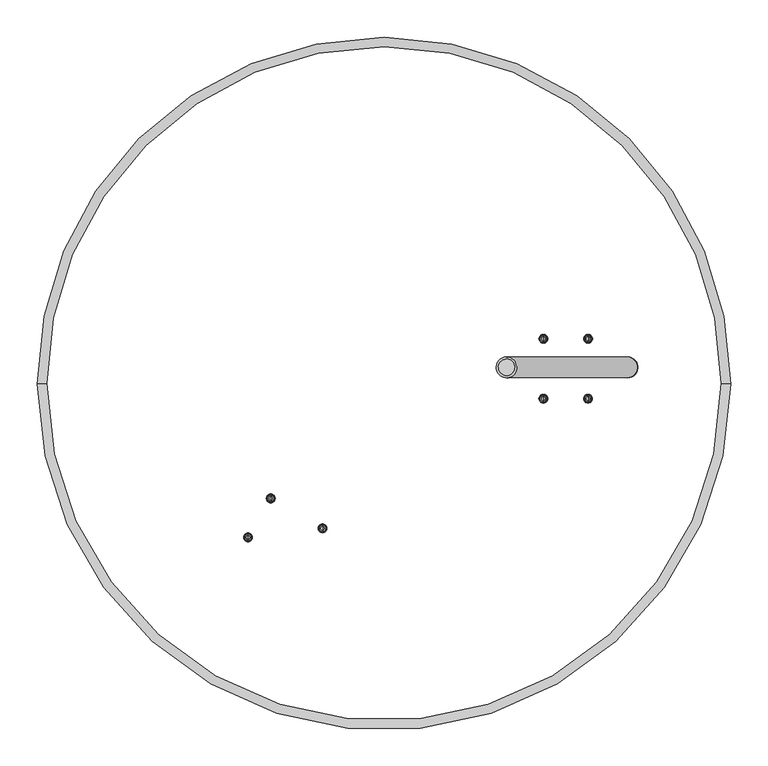
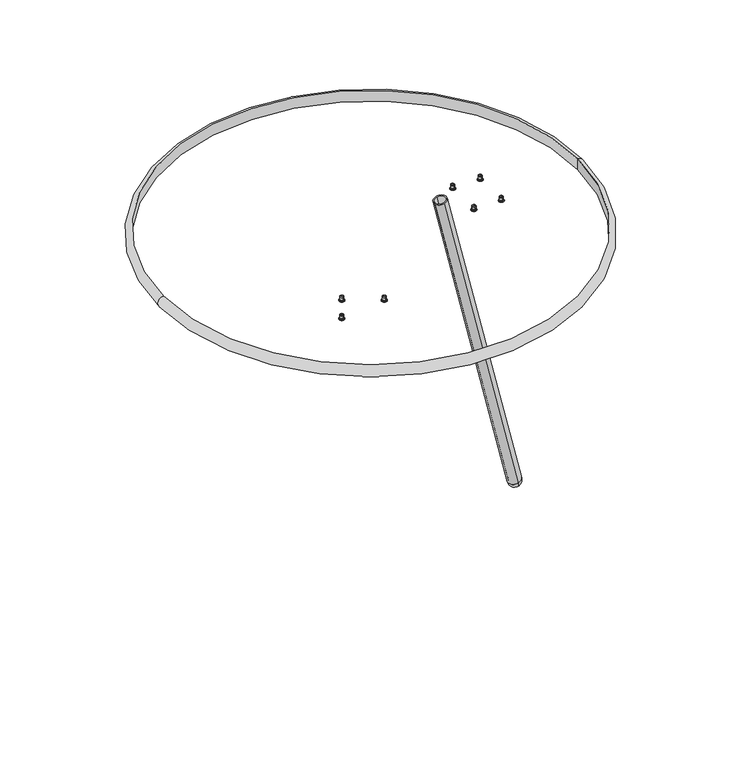
"""IFC4 building model written with IfcOpenShell, lengths in millimetres: furniture geometry."""

from ifc_helpers import new_model, si_unit, point, frame, frame_2d, origin, place, context, project, spatial, polyline, circle_curve, ellipse_curve, trimmed, segment, composite_curve, outline, extrude, source, transform, mapped, element, save
from ifc_brep_helpers import plane_surface, cylinder_surface, revolved_surface, advanced_brep


def furniture_e6d52d7c(model_context):
    return source(origin(), model_context, "Body", "SolidModel", [
        advanced_brep(
        [(272.3953563, 92.4203577, 708.5063289), (272.3953563, 98.4066498, 708.5063289), (272.3953563, 99.4076184, 707.5053604), (272.3953563, 91.4193892, 707.5053604), (272.3953563, 95.4135038, 708.5063289), (272.3953563, 90.0792973, 699.5057716), (272.3953563, 100.7477102, 699.5057716), (272.3953563, 101.3218947, 698.9315871), (272.3953563, 89.5051128, 698.9315871), (272.3953563, 91.4193892, 700.7123957), (272.3953563, 99.4076184, 700.7123957), (272.3953563, 90.5822312, 698.0277774), (272.3953563, 100.2447763, 698.0277774), (272.3953563, 95.4135038, 697.8278374)],
        [
            (0, 1, circle_curve(frame((272.3953563, 95.4135038, 708.5063289), z_axis=(0.0, 0.0, -1.0), x_axis=(0.0, 1.0, 0.0)), 2.9931461)),
            (1, 2),
            (2, 3, circle_curve(frame((272.3953563, 95.4135038, 707.5053604), z_axis=(0.0, 0.0, 1.0), x_axis=(0.0, 1.0, 0.0)), 3.9941146)),
            (3, 0),
            (1, 0, circle_curve(frame((272.3953563, 95.4135038, 708.5063289), z_axis=(0.0, 0.0, -1.0), x_axis=(0.0, 1.0, 0.0)), 2.9931461)),
            (3, 2, circle_curve(frame((272.3953563, 95.4135038, 707.5053604), z_axis=(0.0, 0.0, 1.0), x_axis=(0.0, 1.0, 0.0)), 3.9941146)),
            (4, 1),
            (0, 4),
            (5, 6, circle_curve(frame((272.3953563, 95.4135038, 699.5057716), z_axis=(0.0, 0.0, -1.0), x_axis=(0.0, 1.0, 0.0)), 5.3342064)),
            (6, 7),
            (7, 8, circle_curve(frame((272.3953563, 95.4135038, 698.9315871), z_axis=(0.0, 0.0, 1.0), x_axis=(0.0, 1.0, 0.0)), 5.908391)),
            (8, 5),
            (6, 5, circle_curve(frame((272.3953563, 95.4135038, 699.5057716), z_axis=(0.0, 0.0, -1.0), x_axis=(0.0, 1.0, 0.0)), 5.3342064)),
            (8, 7, circle_curve(frame((272.3953563, 95.4135038, 698.9315871), z_axis=(0.0, 0.0, 1.0), x_axis=(0.0, 1.0, 0.0)), 5.908391)),
            (9, 10, circle_curve(frame((272.3953563, 95.4135038, 700.7123957), z_axis=(0.0, 0.0, -1.0), x_axis=(0.0, 1.0, 0.0)), 3.9941146)),
            (10, 6),
            (5, 9),
            (10, 9, circle_curve(frame((272.3953563, 95.4135038, 700.7123957), z_axis=(0.0, 0.0, -1.0), x_axis=(0.0, 1.0, 0.0)), 3.9941146)),
            (2, 10),
            (9, 3),
            (11, 12, circle_curve(frame((272.3953563, 95.4135038, 698.0277774), z_axis=(0.0, 0.0, -1.0), x_axis=(0.0, 1.0, 0.0)), 4.8312726)),
            (12, 13, circle_curve(frame((272.3953563, 97.1408438, 714.5595309), z_axis=(-1.0, 0.0, 0.0), x_axis=(0.0, 1.0, 0.0)), 16.8206204)),
            (13, 11, circle_curve(frame((272.3953563, 93.6861638, 714.5595309), z_axis=(-1.0, 0.0, 0.0), x_axis=(0.0, -1.0, 0.0)), 16.8206204)),
            (12, 11, circle_curve(frame((272.3953563, 95.4135038, 698.0277774), z_axis=(0.0, 0.0, -1.0), x_axis=(0.0, 1.0, 0.0)), 4.8312726)),
            (7, 12, circle_curve(frame((272.3953563, 100.1971644, 699.1782538), z_axis=(-1.0, 0.0, 0.0), x_axis=(0.0, 1.0, 0.0)), 1.1514612)),
            (11, 8, circle_curve(frame((272.3953563, 90.6298432, 699.1782538), z_axis=(-1.0, 0.0, 0.0), x_axis=(0.0, -1.0, 0.0)), 1.1514612)),
        ],
        [
            revolved_surface(polyline([(272.3953563, 99.4076184, 707.5053604), (272.3953563, 98.4066498, 708.5063289)]), (272.3953563, 95.4135038, 708.228095), (0.0, 0.0, 1.0)),
            plane_surface(frame((272.3953563, 95.4135038, 708.5063289), z_axis=(0.0, 0.0, 1.0), x_axis=(0.0, 1.0, 0.0))),
            revolved_surface(polyline([(272.3953563, 101.3218947, 698.9315871), (272.3953563, 100.7477102, 699.5057716)]), (272.3953563, 95.4135038, 708.228095), (0.0, 0.0, 1.0)),
            revolved_surface(polyline([(272.3953563, 100.7477102, 699.5057716), (272.3953563, 99.4076184, 700.7123957)]), (272.3953563, 95.4135038, 708.228095), (0.0, 0.0, 1.0)),
            cylinder_surface(frame((272.3953563, 95.4135038, 708.228095), z_axis=(0.0, 0.0, 1.0), x_axis=(0.0, 1.0, 0.0)), 3.9941146),
            revolved_surface(trimmed(ellipse_curve(frame((272.3953563, 97.1408438, 714.5595309), z_axis=(1.0, 0.0, 0.0), x_axis=(0.0, 1.0, 0.0)), 16.8206204, 16.8206204), [point((272.3953563, 95.4135038, 697.8278374))], [point((272.3953563, 100.2447763, 698.0277774))], True, "CARTESIAN"), (272.3953563, 95.4135038, 708.228095), (0.0, 0.0, 1.0)),
            revolved_surface(trimmed(ellipse_curve(frame((272.3953563, 100.1971644, 699.1782538), z_axis=(1.0, 0.0, 0.0), x_axis=(0.0, 1.0, 0.0)), 1.1514612, 1.1514612), [point((272.3953563, 100.2447763, 698.0277774))], [point((272.3953563, 101.3218947, 698.9315871))], True, "CARTESIAN"), (272.3953563, 95.4135038, 708.228095), (0.0, 0.0, 1.0)),
        ],
        [
            (0, [[1, 2, 3, 4]]),
            (0, [[5, -4, 6, -2]]),
            (1, [[7, -1, 8]]),
            (1, [[-8, -5, -7]]),
            (2, [[9, 10, 11, 12]]),
            (2, [[13, -12, 14, -10]]),
            (3, [[15, 16, -9, 17]]),
            (3, [[18, -17, -13, -16]]),
            (4, [[-3, 19, -15, 20]]),
            (4, [[-6, -20, -18, -19]]),
            (5, [[21, 22, 23]]),
            (5, [[24, -23, -22]]),
            (6, [[-11, 25, -21, 26]]),
            (6, [[-14, -26, -24, -25]]),
        ],
    ),
        advanced_brep(
        [(272.2391063, 12.4385091, 708.5063289), (272.2391063, 18.4248012, 708.5063289), (272.2391063, 19.4257697, 707.5053604), (272.2391063, 11.4375406, 707.5053604), (272.2391063, 15.4316552, 708.5063289), (272.2391063, 10.0974487, 699.5057716), (272.2391063, 20.7658616, 699.5057716), (272.2391063, 21.3400461, 698.9315871), (272.2391063, 9.5232642, 698.9315871), (272.2391063, 11.4375406, 700.7123957), (272.2391063, 19.4257697, 700.7123957), (272.2391063, 10.6003826, 698.0277774), (272.2391063, 20.2629277, 698.0277774), (272.2391063, 15.4316552, 697.8278374)],
        [
            (0, 1, circle_curve(frame((272.2391063, 15.4316552, 708.5063289), z_axis=(0.0, 0.0, -1.0), x_axis=(0.0, 1.0, 0.0)), 2.9931461)),
            (1, 2),
            (2, 3, circle_curve(frame((272.2391063, 15.4316552, 707.5053604), z_axis=(0.0, 0.0, 1.0), x_axis=(0.0, 1.0, 0.0)), 3.9941146)),
            (3, 0),
            (1, 0, circle_curve(frame((272.2391063, 15.4316552, 708.5063289), z_axis=(0.0, 0.0, -1.0), x_axis=(0.0, 1.0, 0.0)), 2.9931461)),
            (3, 2, circle_curve(frame((272.2391063, 15.4316552, 707.5053604), z_axis=(0.0, 0.0, 1.0), x_axis=(0.0, 1.0, 0.0)), 3.9941146)),
            (4, 1),
            (0, 4),
            (5, 6, circle_curve(frame((272.2391063, 15.4316552, 699.5057716), z_axis=(0.0, 0.0, -1.0), x_axis=(0.0, 1.0, 0.0)), 5.3342064)),
            (6, 7),
            (7, 8, circle_curve(frame((272.2391063, 15.4316552, 698.9315871), z_axis=(0.0, 0.0, 1.0), x_axis=(0.0, 1.0, 0.0)), 5.908391)),
            (8, 5),
            (6, 5, circle_curve(frame((272.2391063, 15.4316552, 699.5057716), z_axis=(0.0, 0.0, -1.0), x_axis=(0.0, 1.0, 0.0)), 5.3342064)),
            (8, 7, circle_curve(frame((272.2391063, 15.4316552, 698.9315871), z_axis=(0.0, 0.0, 1.0), x_axis=(0.0, 1.0, 0.0)), 5.908391)),
            (9, 10, circle_curve(frame((272.2391063, 15.4316552, 700.7123957), z_axis=(0.0, 0.0, -1.0), x_axis=(0.0, 1.0, 0.0)), 3.9941146)),
            (10, 6),
            (5, 9),
            (10, 9, circle_curve(frame((272.2391063, 15.4316552, 700.7123957), z_axis=(0.0, 0.0, -1.0), x_axis=(0.0, 1.0, 0.0)), 3.9941146)),
            (2, 10),
            (9, 3),
            (11, 12, circle_curve(frame((272.2391063, 15.4316552, 698.0277774), z_axis=(0.0, 0.0, -1.0), x_axis=(0.0, 1.0, 0.0)), 4.8312726)),
            (12, 13, circle_curve(frame((272.2391063, 17.1589952, 714.5595309), z_axis=(-1.0, 0.0, 0.0), x_axis=(0.0, 1.0, 0.0)), 16.8206204)),
            (13, 11, circle_curve(frame((272.2391063, 13.7043152, 714.5595309), z_axis=(-1.0, 0.0, 0.0), x_axis=(0.0, -1.0, 0.0)), 16.8206204)),
            (12, 11, circle_curve(frame((272.2391063, 15.4316552, 698.0277774), z_axis=(0.0, 0.0, -1.0), x_axis=(0.0, 1.0, 0.0)), 4.8312726)),
            (7, 12, circle_curve(frame((272.2391063, 20.2153158, 699.1782538), z_axis=(-1.0, 0.0, 0.0), x_axis=(0.0, 1.0, 0.0)), 1.1514612)),
            (11, 8, circle_curve(frame((272.2391063, 10.6479945, 699.1782538), z_axis=(-1.0, 0.0, 0.0), x_axis=(0.0, -1.0, 0.0)), 1.1514612)),
        ],
        [
            revolved_surface(polyline([(272.2391063, 19.4257697, 707.5053604), (272.2391063, 18.4248012, 708.5063289)]), (272.2391063, 15.4316552, 708.228095), (0.0, 0.0, 1.0)),
            plane_surface(frame((272.2391063, 15.4316552, 708.5063289), z_axis=(0.0, 0.0, 1.0), x_axis=(0.0, 1.0, 0.0))),
            revolved_surface(polyline([(272.2391063, 21.3400461, 698.9315871), (272.2391063, 20.7658616, 699.5057716)]), (272.2391063, 15.4316552, 708.228095), (0.0, 0.0, 1.0)),
            revolved_surface(polyline([(272.2391063, 20.7658616, 699.5057716), (272.2391063, 19.4257697, 700.7123957)]), (272.2391063, 15.4316552, 708.228095), (0.0, 0.0, 1.0)),
            cylinder_surface(frame((272.2391063, 15.4316552, 708.228095), z_axis=(0.0, 0.0, 1.0), x_axis=(0.0, 1.0, 0.0)), 3.9941146),
            revolved_surface(trimmed(ellipse_curve(frame((272.2391063, 17.1589952, 714.5595309), z_axis=(1.0, 0.0, 0.0), x_axis=(0.0, 1.0, 0.0)), 16.8206204, 16.8206204), [point((272.2391063, 15.4316552, 697.8278374))], [point((272.2391063, 20.2629277, 698.0277774))], True, "CARTESIAN"), (272.2391063, 15.4316552, 708.228095), (0.0, 0.0, 1.0)),
            revolved_surface(trimmed(ellipse_curve(frame((272.2391063, 20.2153158, 699.1782538), z_axis=(1.0, 0.0, 0.0), x_axis=(0.0, 1.0, 0.0)), 1.1514612, 1.1514612), [point((272.2391063, 20.2629277, 698.0277774))], [point((272.2391063, 21.3400461, 698.9315871))], True, "CARTESIAN"), (272.2391063, 15.4316552, 708.228095), (0.0, 0.0, 1.0)),
        ],
        [
            (0, [[1, 2, 3, 4]]),
            (0, [[5, -4, 6, -2]]),
            (1, [[7, -1, 8]]),
            (1, [[-8, -5, -7]]),
            (2, [[9, 10, 11, 12]]),
            (2, [[13, -12, 14, -10]]),
            (3, [[15, 16, -9, 17]]),
            (3, [[18, -17, -13, -16]]),
            (4, [[-3, 19, -15, 20]]),
            (4, [[-6, -20, -18, -19]]),
            (5, [[21, 22, 23]]),
            (5, [[24, -23, -22]]),
            (6, [[-11, 25, -21, 26]]),
            (6, [[-14, -26, -24, -25]]),
        ],
    ),
        advanced_brep(
        [(212.6268824, 12.4385091, 708.5063289), (212.6268824, 18.4248012, 708.5063289), (212.6268824, 19.4257697, 707.5053604), (212.6268824, 11.4375406, 707.5053604), (212.6268824, 15.4316552, 708.5063289), (212.6268824, 10.0974487, 699.5057716), (212.6268824, 20.7658616, 699.5057716), (212.6268824, 21.3400461, 698.9315871), (212.6268824, 9.5232642, 698.9315871), (212.6268824, 11.4375406, 700.7123957), (212.6268824, 19.4257697, 700.7123957), (212.6268824, 10.6003826, 698.0277774), (212.6268824, 20.2629277, 698.0277774), (212.6268824, 15.4316552, 697.8278374)],
        [
            (0, 1, circle_curve(frame((212.6268824, 15.4316552, 708.5063289), z_axis=(0.0, 0.0, -1.0), x_axis=(0.0, 1.0, 0.0)), 2.9931461)),
            (1, 2),
            (2, 3, circle_curve(frame((212.6268824, 15.4316552, 707.5053604), z_axis=(0.0, 0.0, 1.0), x_axis=(0.0, 1.0, 0.0)), 3.9941146)),
            (3, 0),
            (1, 0, circle_curve(frame((212.6268824, 15.4316552, 708.5063289), z_axis=(0.0, 0.0, -1.0), x_axis=(0.0, 1.0, 0.0)), 2.9931461)),
            (3, 2, circle_curve(frame((212.6268824, 15.4316552, 707.5053604), z_axis=(0.0, 0.0, 1.0), x_axis=(0.0, 1.0, 0.0)), 3.9941146)),
            (4, 1),
            (0, 4),
            (5, 6, circle_curve(frame((212.6268824, 15.4316552, 699.5057716), z_axis=(0.0, 0.0, -1.0), x_axis=(0.0, 1.0, 0.0)), 5.3342064)),
            (6, 7),
            (7, 8, circle_curve(frame((212.6268824, 15.4316552, 698.9315871), z_axis=(0.0, 0.0, 1.0), x_axis=(0.0, 1.0, 0.0)), 5.908391)),
            (8, 5),
            (6, 5, circle_curve(frame((212.6268824, 15.4316552, 699.5057716), z_axis=(0.0, 0.0, -1.0), x_axis=(0.0, 1.0, 0.0)), 5.3342064)),
            (8, 7, circle_curve(frame((212.6268824, 15.4316552, 698.9315871), z_axis=(0.0, 0.0, 1.0), x_axis=(0.0, 1.0, 0.0)), 5.908391)),
            (9, 10, circle_curve(frame((212.6268824, 15.4316552, 700.7123957), z_axis=(0.0, 0.0, -1.0), x_axis=(0.0, 1.0, 0.0)), 3.9941146)),
            (10, 6),
            (5, 9),
            (10, 9, circle_curve(frame((212.6268824, 15.4316552, 700.7123957), z_axis=(0.0, 0.0, -1.0), x_axis=(0.0, 1.0, 0.0)), 3.9941146)),
            (2, 10),
            (9, 3),
            (11, 12, circle_curve(frame((212.6268824, 15.4316552, 698.0277774), z_axis=(0.0, 0.0, -1.0), x_axis=(0.0, 1.0, 0.0)), 4.8312726)),
            (12, 13, circle_curve(frame((212.6268824, 17.1589952, 714.5595309), z_axis=(-1.0, 0.0, 0.0), x_axis=(0.0, 1.0, 0.0)), 16.8206204)),
            (13, 11, circle_curve(frame((212.6268824, 13.7043152, 714.5595309), z_axis=(-1.0, 0.0, 0.0), x_axis=(0.0, -1.0, 0.0)), 16.8206204)),
            (12, 11, circle_curve(frame((212.6268824, 15.4316552, 698.0277774), z_axis=(0.0, 0.0, -1.0), x_axis=(0.0, 1.0, 0.0)), 4.8312726)),
            (7, 12, circle_curve(frame((212.6268824, 20.2153158, 699.1782538), z_axis=(-1.0, 0.0, 0.0), x_axis=(0.0, 1.0, 0.0)), 1.1514612)),
            (11, 8, circle_curve(frame((212.6268824, 10.6479945, 699.1782538), z_axis=(-1.0, 0.0, 0.0), x_axis=(0.0, -1.0, 0.0)), 1.1514612)),
        ],
        [
            revolved_surface(polyline([(212.6268824, 19.4257697, 707.5053604), (212.6268824, 18.4248012, 708.5063289)]), (212.6268824, 15.4316552, 708.228095), (0.0, 0.0, 1.0)),
            plane_surface(frame((212.6268824, 15.4316552, 708.5063289), z_axis=(0.0, 0.0, 1.0), x_axis=(0.0, 1.0, 0.0))),
            revolved_surface(polyline([(212.6268824, 21.3400461, 698.9315871), (212.6268824, 20.7658616, 699.5057716)]), (212.6268824, 15.4316552, 708.228095), (0.0, 0.0, 1.0)),
            revolved_surface(polyline([(212.6268824, 20.7658616, 699.5057716), (212.6268824, 19.4257697, 700.7123957)]), (212.6268824, 15.4316552, 708.228095), (0.0, 0.0, 1.0)),
            cylinder_surface(frame((212.6268824, 15.4316552, 708.228095), z_axis=(0.0, 0.0, 1.0), x_axis=(0.0, 1.0, 0.0)), 3.9941146),
            revolved_surface(trimmed(ellipse_curve(frame((212.6268824, 17.1589952, 714.5595309), z_axis=(1.0, 0.0, 0.0), x_axis=(0.0, 1.0, 0.0)), 16.8206204, 16.8206204), [point((212.6268824, 15.4316552, 697.8278374))], [point((212.6268824, 20.2629277, 698.0277774))], True, "CARTESIAN"), (212.6268824, 15.4316552, 708.228095), (0.0, 0.0, 1.0)),
            revolved_surface(trimmed(ellipse_curve(frame((212.6268824, 20.2153158, 699.1782538), z_axis=(1.0, 0.0, 0.0), x_axis=(0.0, 1.0, 0.0)), 1.1514612, 1.1514612), [point((212.6268824, 20.2629277, 698.0277774))], [point((212.6268824, 21.3400461, 698.9315871))], True, "CARTESIAN"), (212.6268824, 15.4316552, 708.228095), (0.0, 0.0, 1.0)),
        ],
        [
            (0, [[1, 2, 3, 4]]),
            (0, [[5, -4, 6, -2]]),
            (1, [[7, -1, 8]]),
            (1, [[-8, -5, -7]]),
            (2, [[9, 10, 11, 12]]),
            (2, [[13, -12, 14, -10]]),
            (3, [[15, 16, -9, 17]]),
            (3, [[18, -17, -13, -16]]),
            (4, [[-3, 19, -15, 20]]),
            (4, [[-6, -20, -18, -19]]),
            (5, [[21, 22, 23]]),
            (5, [[24, -23, -22]]),
            (6, [[-11, 25, -21, 26]]),
            (6, [[-14, -26, -24, -25]]),
        ],
    ),
        advanced_brep(
        [(321.7124895, 57.4021682, 27.2434561), (321.7124895, 68.3943988, 27.2434561), (321.7124895, 46.4099375, 27.2434561), (324.6823052, 43.3408818, 14.3797711), (324.6823052, 71.4634546, 14.3797711), (327.9425462, 57.4021682, 0.258116), (324.6823052, 46.4099375, 14.3797711), (324.6823052, 68.3943988, 14.3797711)],
        [
            (0, 1),
            (1, 2, circle_curve(frame((321.7124895, 57.4021682, 27.2434561), z_axis=(-0.22495105434385837, 0.0, 0.9743700647852368), x_axis=(0.0, 1.0, 0.0)), 10.9922306)),
            (2, 0),
            (2, 1, circle_curve(frame((321.7124895, 57.4021682, 27.2434561), z_axis=(-0.22495105434385837, 0.0, 0.9743700647852368), x_axis=(0.0, 1.0, 0.0)), 10.9922306)),
            (3, 4, circle_curve(frame((324.6823052, 57.4021682, 14.3797711), z_axis=(0.22495105434385837, 0.0, -0.9743700647852368), x_axis=(0.0, 1.0, 0.0)), 14.0612864)),
            (4, 5, circle_curve(frame((324.8210185, 57.599286, 13.7789377), z_axis=(-0.9743700647852368, 0.0, -0.22495105434385837), x_axis=(0.0, -1.0, 0.0)), 13.8778749)),
            (5, 3, circle_curve(frame((324.8210185, 57.2050503, 13.7789377), z_axis=(-0.9743700647852368, 0.0, -0.22495105434385837), x_axis=(0.0, 1.0, 0.0)), 13.8778749)),
            (4, 3, circle_curve(frame((324.6823052, 57.4021682, 14.3797711), z_axis=(0.22495105434385837, 0.0, -0.9743700647852368), x_axis=(0.0, 1.0, 0.0)), 14.0612864)),
            (6, 7, circle_curve(frame((324.6823052, 57.4021682, 14.3797711), z_axis=(0.22495105434385837, 0.0, -0.9743700647852368), x_axis=(0.0, 1.0, 0.0)), 10.9922306)),
            (7, 4),
            (3, 6),
            (7, 6, circle_curve(frame((324.6823052, 57.4021682, 14.3797711), z_axis=(0.22495105434385837, 0.0, -0.9743700647852368), x_axis=(0.0, 1.0, 0.0)), 10.9922306)),
            (1, 7),
            (6, 2),
        ],
        [
            plane_surface(frame((321.7124895, 57.4021682, 27.2434561), z_axis=(-0.22495105434385837, 0.0, 0.9743700647852368), x_axis=(0.0, 1.0, 0.0))),
            revolved_surface(trimmed(ellipse_curve(frame((324.8210185, 57.599286, 13.7789377), z_axis=(0.9743700647852368, 0.0, 0.22495105434385837), x_axis=(0.0, -1.0, 0.0)), 13.8778749, 13.8778749), [point((327.9425462, 57.4021682, 0.258116))], [point((324.6823052, 71.4634546, 14.3797711))], True, "CARTESIAN"), (321.7124895, 57.4021682, 27.2434561), (-0.22495105434385837, 0.0, 0.9743700647852368)),
            plane_surface(frame((324.6823052, 57.4021682, 14.3797711), z_axis=(-0.22495105434385837, 0.0, 0.9743700647852368), x_axis=(0.0, 1.0, 0.0))),
            cylinder_surface(frame((321.7124895, 57.4021682, 27.2434561), z_axis=(-0.22495105434385837, 0.0, 0.9743700647852368), x_axis=(0.0, 1.0, 0.0)), 10.9922306),
        ],
        [
            (0, [[1, 2, 3]]),
            (0, [[-3, 4, -1]]),
            (1, [[5, 6, 7]]),
            (1, [[8, -7, -6]]),
            (2, [[9, 10, -5, 11]]),
            (2, [[12, -11, -8, -10]]),
            (3, [[-2, 13, -9, 14]]),
            (3, [[-4, -14, -12, -13]]),
        ],
    ),
        advanced_brep(
        [(212.6268824, 92.4385091, 708.5063289), (212.6268824, 98.4248012, 708.5063289), (212.6268824, 99.4257697, 707.5053604), (212.6268824, 91.4375406, 707.5053604), (212.6268824, 95.4316552, 708.5063289), (212.6268824, 90.0974487, 699.5057716), (212.6268824, 100.7658616, 699.5057716), (212.6268824, 101.3400461, 698.9315871), (212.6268824, 89.5232642, 698.9315871), (212.6268824, 91.4375406, 700.7123957), (212.6268824, 99.4257697, 700.7123957), (212.6268824, 90.6003826, 698.0277774), (212.6268824, 100.2629277, 698.0277774), (212.6268824, 95.4316552, 697.8278374)],
        [
            (0, 1, circle_curve(frame((212.6268824, 95.4316552, 708.5063289), z_axis=(0.0, 0.0, -1.0), x_axis=(0.0, 1.0, 0.0)), 2.9931461)),
            (1, 2),
            (2, 3, circle_curve(frame((212.6268824, 95.4316552, 707.5053604), z_axis=(0.0, 0.0, 1.0), x_axis=(0.0, 1.0, 0.0)), 3.9941146)),
            (3, 0),
            (1, 0, circle_curve(frame((212.6268824, 95.4316552, 708.5063289), z_axis=(0.0, 0.0, -1.0), x_axis=(0.0, 1.0, 0.0)), 2.9931461)),
            (3, 2, circle_curve(frame((212.6268824, 95.4316552, 707.5053604), z_axis=(0.0, 0.0, 1.0), x_axis=(0.0, 1.0, 0.0)), 3.9941146)),
            (4, 1),
            (0, 4),
            (5, 6, circle_curve(frame((212.6268824, 95.4316552, 699.5057716), z_axis=(0.0, 0.0, -1.0), x_axis=(0.0, 1.0, 0.0)), 5.3342064)),
            (6, 7),
            (7, 8, circle_curve(frame((212.6268824, 95.4316552, 698.9315871), z_axis=(0.0, 0.0, 1.0), x_axis=(0.0, 1.0, 0.0)), 5.908391)),
            (8, 5),
            (6, 5, circle_curve(frame((212.6268824, 95.4316552, 699.5057716), z_axis=(0.0, 0.0, -1.0), x_axis=(0.0, 1.0, 0.0)), 5.3342064)),
            (8, 7, circle_curve(frame((212.6268824, 95.4316552, 698.9315871), z_axis=(0.0, 0.0, 1.0), x_axis=(0.0, 1.0, 0.0)), 5.908391)),
            (9, 10, circle_curve(frame((212.6268824, 95.4316552, 700.7123957), z_axis=(0.0, 0.0, -1.0), x_axis=(0.0, 1.0, 0.0)), 3.9941146)),
            (10, 6),
            (5, 9),
            (10, 9, circle_curve(frame((212.6268824, 95.4316552, 700.7123957), z_axis=(0.0, 0.0, -1.0), x_axis=(0.0, 1.0, 0.0)), 3.9941146)),
            (2, 10),
            (9, 3),
            (11, 12, circle_curve(frame((212.6268824, 95.4316552, 698.0277774), z_axis=(0.0, 0.0, -1.0), x_axis=(0.0, 1.0, 0.0)), 4.8312726)),
            (12, 13, circle_curve(frame((212.6268824, 97.1589952, 714.5595309), z_axis=(-1.0, 0.0, 0.0), x_axis=(0.0, 1.0, 0.0)), 16.8206204)),
            (13, 11, circle_curve(frame((212.6268824, 93.7043152, 714.5595309), z_axis=(-1.0, 0.0, 0.0), x_axis=(0.0, -1.0, 0.0)), 16.8206204)),
            (12, 11, circle_curve(frame((212.6268824, 95.4316552, 698.0277774), z_axis=(0.0, 0.0, -1.0), x_axis=(0.0, 1.0, 0.0)), 4.8312726)),
            (7, 12, circle_curve(frame((212.6268824, 100.2153158, 699.1782538), z_axis=(-1.0, 0.0, 0.0), x_axis=(0.0, 1.0, 0.0)), 1.1514612)),
            (11, 8, circle_curve(frame((212.6268824, 90.6479945, 699.1782538), z_axis=(-1.0, 0.0, 0.0), x_axis=(0.0, -1.0, 0.0)), 1.1514612)),
        ],
        [
            revolved_surface(polyline([(212.6268824, 99.4257697, 707.5053604), (212.6268824, 98.4248012, 708.5063289)]), (212.6268824, 95.4316552, 708.228095), (0.0, 0.0, 1.0)),
            plane_surface(frame((212.6268824, 95.4316552, 708.5063289), z_axis=(0.0, 0.0, 1.0), x_axis=(0.0, 1.0, 0.0))),
            revolved_surface(polyline([(212.6268824, 101.3400461, 698.9315871), (212.6268824, 100.7658616, 699.5057716)]), (212.6268824, 95.4316552, 708.228095), (0.0, 0.0, 1.0)),
            revolved_surface(polyline([(212.6268824, 100.7658616, 699.5057716), (212.6268824, 99.4257697, 700.7123957)]), (212.6268824, 95.4316552, 708.228095), (0.0, 0.0, 1.0)),
            cylinder_surface(frame((212.6268824, 95.4316552, 708.228095), z_axis=(0.0, 0.0, 1.0), x_axis=(0.0, 1.0, 0.0)), 3.9941146),
            revolved_surface(trimmed(ellipse_curve(frame((212.6268824, 97.1589952, 714.5595309), z_axis=(1.0, 0.0, 0.0), x_axis=(0.0, 1.0, 0.0)), 16.8206204, 16.8206204), [point((212.6268824, 95.4316552, 697.8278374))], [point((212.6268824, 100.2629277, 698.0277774))], True, "CARTESIAN"), (212.6268824, 95.4316552, 708.228095), (0.0, 0.0, 1.0)),
            revolved_surface(trimmed(ellipse_curve(frame((212.6268824, 100.2153158, 699.1782538), z_axis=(1.0, 0.0, 0.0), x_axis=(0.0, 1.0, 0.0)), 1.1514612, 1.1514612), [point((212.6268824, 100.2629277, 698.0277774))], [point((212.6268824, 101.3400461, 698.9315871))], True, "CARTESIAN"), (212.6268824, 95.4316552, 708.228095), (0.0, 0.0, 1.0)),
        ],
        [
            (0, [[1, 2, 3, 4]]),
            (0, [[5, -4, 6, -2]]),
            (1, [[7, -1, 8]]),
            (1, [[-8, -5, -7]]),
            (2, [[9, 10, 11, 12]]),
            (2, [[13, -12, 14, -10]]),
            (3, [[15, 16, -9, 17]]),
            (3, [[18, -17, -13, -16]]),
            (4, [[-3, 19, -15, 20]]),
            (4, [[-6, -20, -18, -19]]),
            (5, [[21, 22, 23]]),
            (5, [[24, -23, -22]]),
            (6, [[-11, 25, -21, 26]]),
            (6, [[-14, -26, -24, -25]]),
        ],
    ),
        extrude(outline(composite_curve([segment(trimmed(circle_curve(frame_2d((-1e-07, -14.0)), 14.0), [point((0.0, -28.0))], [point((0.0, 0.0))], False, "CARTESIAN"), True, "CONTINUOUS"), segment(trimmed(circle_curve(frame_2d((-1e-07, -14.0)), 14.0), [point((0.0, 0.0))], [point((0.0, -28.0))], False, "CARTESIAN"), True, "CONTINUOUS")], self_intersect=False), holes=[composite_curve([segment(trimmed(circle_curve(frame_2d((-1e-07, -14.0)), 11.0), [point((-1e-07, -25.0))], [point((-1e-07, -3.0))], True, "CARTESIAN"), True, "CONTINUOUS"), segment(trimmed(circle_curve(frame_2d((-1e-07, -14.0)), 11.0), [point((-1e-07, -3.0))], [point((-1e-07, -25.0))], True, "CARTESIAN"), True, "CONTINUOUS")], self_intersect=False)]), frame((325.3158607, 43.522144, 13.9523754), z_axis=(-0.22495094648803923, -0.000220282896590861, 0.9743700647852339), x_axis=(-0.9736800467486927, -0.03757744243678313, -0.22480013875301333)), (0.0, 0.0, 1.0), 717.1134775),
        advanced_brep(
        [(-450.0, 35.3583703, 720.0), (450.0, 35.3583703, 720.0), (450.0, 35.3583703, 695.0), (-450.0, 35.3583703, 695.0)],
        [
            (0, 1, circle_curve(frame((0.0, 35.3583703, 720.0), z_axis=(0.0, 0.0, 1.0), x_axis=(1.0, 0.0, 0.0)), 450.0)),
            (1, 2),
            (2, 3, circle_curve(frame((0.0, 35.3583703, 695.0), z_axis=(0.0, 0.0, -1.0), x_axis=(1.0, 0.0, 0.0)), 450.0)),
            (3, 0),
            (2, 1, circle_curve(frame((450.0, 35.3583703, 707.5), z_axis=(0.0, -1.0, 0.0), x_axis=(1.0, 0.0, 0.0)), 12.5)),
            (0, 3, circle_curve(frame((-450.0, 35.3583703, 707.5), z_axis=(0.0, -1.0, 0.0), x_axis=(-1.0, 0.0, 0.0)), 12.5)),
            (1, 0, circle_curve(frame((0.0, 35.3583703, 720.0), z_axis=(0.0, 0.0, 1.0), x_axis=(-1.0, 0.0, 0.0)), 450.0)),
            (3, 2, circle_curve(frame((0.0, 35.3583703, 695.0), z_axis=(0.0, 0.0, -1.0), x_axis=(-1.0, 0.0, 0.0)), 450.0)),
        ],
        [
            revolved_surface(polyline([(450.0, 35.3583703, 695.0), (450.0, 35.3583703, 720.0)]), (0.0, 35.3583703, 718.509789), (0.0, 0.0, -1.0)),
            revolved_surface(trimmed(ellipse_curve(frame((450.0, 35.3583703, 707.5), z_axis=(0.0, 1.0, 0.0), x_axis=(1.0, 0.0, 0.0)), 12.5, 12.5), [point((450.0, 35.3583703, 720.0))], [point((450.0, 35.3583703, 695.0))], True, "CARTESIAN"), (0.0, 35.3583703, 718.509789), (0.0, 0.0, -1.0)),
            revolved_surface(polyline([(-450.0, 35.3583703, 695.0), (-450.0, 35.3583703, 720.0)]), (0.0, 35.3583703, 718.509789), (0.0, 0.0, -1.0)),
            revolved_surface(trimmed(ellipse_curve(frame((-450.0, 35.3583703, 707.5), z_axis=(0.0, -1.0, 0.0), x_axis=(-1.0, 0.0, 0.0)), 12.5, 12.5), [point((-450.0, 35.3583703, 720.0))], [point((-450.0, 35.3583703, 695.0))], True, "CARTESIAN"), (0.0, 35.3583703, 718.509789), (0.0, 0.0, -1.0)),
        ],
        [
            (0, [[1, 2, 3, 4]]),
            (1, [[-3, 5, -1, 6]]),
            (2, [[7, -4, 8, -2]]),
            (3, [[-8, -6, -7, -5]]),
        ],
    ),
        advanced_brep(
        [(-151.1378189, -113.7723232, 707.5053604), (-151.1378189, -121.7605524, 707.5053604), (-151.1378189, -120.7595838, 708.5063289), (-151.1378189, -114.7732917, 708.5063289), (-151.1378189, -117.7664378, 708.5063289), (-151.1378189, -111.8580468, 698.9315871), (-151.1378189, -123.6748287, 698.9315871), (-151.1378189, -123.1006442, 699.5057716), (-151.1378189, -112.4322314, 699.5057716), (-151.1378189, -121.7605524, 700.7123957), (-151.1378189, -113.7723232, 700.7123957), (-151.1378189, -117.7664378, 697.8278374), (-151.1378189, -122.5977103, 698.0277774), (-151.1378189, -112.9351652, 698.0277774)],
        [
            (0, 1, circle_curve(frame((-151.1378189, -117.7664378, 707.5053604), z_axis=(0.0, 0.0, 1.0), x_axis=(0.0, -1.0, 0.0)), 3.9941146)),
            (1, 2),
            (2, 3, circle_curve(frame((-151.1378189, -117.7664378, 708.5063289), z_axis=(0.0, 0.0, -1.0), x_axis=(0.0, -1.0, 0.0)), 2.9931461)),
            (3, 0),
            (1, 0, circle_curve(frame((-151.1378189, -117.7664378, 707.5053604), z_axis=(0.0, 0.0, 1.0), x_axis=(0.0, -1.0, 0.0)), 3.9941146)),
            (3, 2, circle_curve(frame((-151.1378189, -117.7664378, 708.5063289), z_axis=(0.0, 0.0, -1.0), x_axis=(0.0, -1.0, 0.0)), 2.9931461)),
            (2, 4),
            (4, 3),
            (5, 6, circle_curve(frame((-151.1378189, -117.7664378, 698.9315871), z_axis=(0.0, 0.0, 1.0), x_axis=(0.0, -1.0, 0.0)), 5.908391)),
            (6, 7),
            (7, 8, circle_curve(frame((-151.1378189, -117.7664378, 699.5057716), z_axis=(0.0, 0.0, -1.0), x_axis=(0.0, -1.0, 0.0)), 5.3342064)),
            (8, 5),
            (6, 5, circle_curve(frame((-151.1378189, -117.7664378, 698.9315871), z_axis=(0.0, 0.0, 1.0), x_axis=(0.0, -1.0, 0.0)), 5.908391)),
            (8, 7, circle_curve(frame((-151.1378189, -117.7664378, 699.5057716), z_axis=(0.0, 0.0, -1.0), x_axis=(0.0, -1.0, 0.0)), 5.3342064)),
            (7, 9),
            (9, 10, circle_curve(frame((-151.1378189, -117.7664378, 700.7123957), z_axis=(0.0, 0.0, -1.0), x_axis=(0.0, -1.0, 0.0)), 3.9941146)),
            (10, 8),
            (10, 9, circle_curve(frame((-151.1378189, -117.7664378, 700.7123957), z_axis=(0.0, 0.0, -1.0), x_axis=(0.0, -1.0, 0.0)), 3.9941146)),
            (9, 1),
            (0, 10),
            (11, 12, circle_curve(frame((-151.1378189, -119.4937778, 714.5595309), z_axis=(-1.0, 0.0, 0.0), x_axis=(0.0, 1.0, 0.0)), 16.8206204)),
            (12, 13, circle_curve(frame((-151.1378189, -117.7664378, 698.0277774), z_axis=(0.0, 0.0, -1.0), x_axis=(0.0, -1.0, 0.0)), 4.8312726)),
            (13, 11, circle_curve(frame((-151.1378189, -116.0390978, 714.5595309), z_axis=(-1.0, 0.0, 0.0), x_axis=(0.0, -1.0, 0.0)), 16.8206204)),
            (13, 12, circle_curve(frame((-151.1378189, -117.7664378, 698.0277774), z_axis=(0.0, 0.0, -1.0), x_axis=(0.0, -1.0, 0.0)), 4.8312726)),
            (12, 6, circle_curve(frame((-151.1378189, -122.5500984, 699.1782538), z_axis=(-1.0, 0.0, 0.0), x_axis=(0.0, 1.0, 0.0)), 1.1514612)),
            (5, 13, circle_curve(frame((-151.1378189, -112.9827772, 699.1782538), z_axis=(-1.0, 0.0, 0.0), x_axis=(0.0, -1.0, 0.0)), 1.1514612)),
        ],
        [
            revolved_surface(polyline([(-151.1378189, -120.7595838, 708.5063289), (-151.1378189, -121.7605524, 707.5053604)]), (-151.1378189, -117.7664378, 708.228095), (0.0, 0.0, -1.0)),
            plane_surface(frame((-151.1378189, -117.7664378, 708.5063289), z_axis=(0.0, 0.0, 1.0), x_axis=(0.0, -1.0, 0.0))),
            revolved_surface(polyline([(-151.1378189, -123.1006442, 699.5057716), (-151.1378189, -123.6748287, 698.9315871)]), (-151.1378189, -117.7664378, 708.228095), (0.0, 0.0, -1.0)),
            revolved_surface(polyline([(-151.1378189, -121.7605524, 700.7123957), (-151.1378189, -123.1006442, 699.5057716)]), (-151.1378189, -117.7664378, 708.228095), (0.0, 0.0, -1.0)),
            cylinder_surface(frame((-151.1378189, -117.7664378, 708.228095), z_axis=(0.0, 0.0, -1.0), x_axis=(0.0, -1.0, 0.0)), 3.9941146),
            revolved_surface(trimmed(ellipse_curve(frame((-151.1378189, -119.4937778, 714.5595309), z_axis=(1.0, 0.0, 0.0), x_axis=(0.0, 1.0, 0.0)), 16.8206204, 16.8206204), [point((-151.1378189, -122.5977103, 698.0277774))], [point((-151.1378189, -117.7664378, 697.8278374))], True, "CARTESIAN"), (-151.1378189, -117.7664378, 708.228095), (0.0, 0.0, -1.0)),
            revolved_surface(trimmed(ellipse_curve(frame((-151.1378189, -122.5500984, 699.1782538), z_axis=(1.0, 0.0, 0.0), x_axis=(0.0, 1.0, 0.0)), 1.1514612, 1.1514612), [point((-151.1378189, -123.6748287, 698.9315871))], [point((-151.1378189, -122.5977103, 698.0277774))], True, "CARTESIAN"), (-151.1378189, -117.7664378, 708.228095), (0.0, 0.0, -1.0)),
        ],
        [
            (0, [[1, 2, 3, 4]]),
            (0, [[5, -4, 6, -2]]),
            (1, [[-3, 7, 8]]),
            (1, [[-6, -8, -7]]),
            (2, [[9, 10, 11, 12]]),
            (2, [[13, -12, 14, -10]]),
            (3, [[-11, 15, 16, 17]]),
            (3, [[-14, -17, 18, -15]]),
            (4, [[-16, 19, -1, 20]]),
            (4, [[-18, -20, -5, -19]]),
            (5, [[21, 22, 23]]),
            (5, [[-23, 24, -21]]),
            (6, [[-22, 25, -9, 26]]),
            (6, [[-24, -26, -13, -25]]),
        ],
    ),
        advanced_brep(
        [(-181.4872957, -165.7883093, 707.5053604), (-181.4872957, -173.7765385, 707.5053604), (-181.4872957, -172.77557, 708.5063289), (-181.4872957, -166.7892779, 708.5063289), (-181.4872957, -169.7824239, 708.5063289), (-181.4872957, -163.8740329, 698.9315871), (-181.4872957, -175.6908149, 698.9315871), (-181.4872957, -175.1166303, 699.5057716), (-181.4872957, -164.4482175, 699.5057716), (-181.4872957, -173.7765385, 700.7123957), (-181.4872957, -165.7883093, 700.7123957), (-181.4872957, -169.7824239, 697.8278374), (-181.4872957, -174.6136965, 698.0277774), (-181.4872957, -164.9511514, 698.0277774)],
        [
            (0, 1, circle_curve(frame((-181.4872957, -169.7824239, 707.5053604), z_axis=(0.0, 0.0, 1.0), x_axis=(0.0, -1.0, 0.0)), 3.9941146)),
            (1, 2),
            (2, 3, circle_curve(frame((-181.4872957, -169.7824239, 708.5063289), z_axis=(0.0, 0.0, -1.0), x_axis=(0.0, -1.0, 0.0)), 2.9931461)),
            (3, 0),
            (1, 0, circle_curve(frame((-181.4872957, -169.7824239, 707.5053604), z_axis=(0.0, 0.0, 1.0), x_axis=(0.0, -1.0, 0.0)), 3.9941146)),
            (3, 2, circle_curve(frame((-181.4872957, -169.7824239, 708.5063289), z_axis=(0.0, 0.0, -1.0), x_axis=(0.0, -1.0, 0.0)), 2.9931461)),
            (2, 4),
            (4, 3),
            (5, 6, circle_curve(frame((-181.4872957, -169.7824239, 698.9315871), z_axis=(0.0, 0.0, 1.0), x_axis=(0.0, -1.0, 0.0)), 5.908391)),
            (6, 7),
            (7, 8, circle_curve(frame((-181.4872957, -169.7824239, 699.5057716), z_axis=(0.0, 0.0, -1.0), x_axis=(0.0, -1.0, 0.0)), 5.3342064)),
            (8, 5),
            (6, 5, circle_curve(frame((-181.4872957, -169.7824239, 698.9315871), z_axis=(0.0, 0.0, 1.0), x_axis=(0.0, -1.0, 0.0)), 5.908391)),
            (8, 7, circle_curve(frame((-181.4872957, -169.7824239, 699.5057716), z_axis=(0.0, 0.0, -1.0), x_axis=(0.0, -1.0, 0.0)), 5.3342064)),
            (7, 9),
            (9, 10, circle_curve(frame((-181.4872957, -169.7824239, 700.7123957), z_axis=(0.0, 0.0, -1.0), x_axis=(0.0, -1.0, 0.0)), 3.9941146)),
            (10, 8),
            (10, 9, circle_curve(frame((-181.4872957, -169.7824239, 700.7123957), z_axis=(0.0, 0.0, -1.0), x_axis=(0.0, -1.0, 0.0)), 3.9941146)),
            (9, 1),
            (0, 10),
            (11, 12, circle_curve(frame((-181.4872957, -171.5097639, 714.5595309), z_axis=(-1.0, 0.0, 0.0), x_axis=(0.0, 1.0, 0.0)), 16.8206204)),
            (12, 13, circle_curve(frame((-181.4872957, -169.7824239, 698.0277774), z_axis=(0.0, 0.0, -1.0), x_axis=(0.0, -1.0, 0.0)), 4.8312726)),
            (13, 11, circle_curve(frame((-181.4872957, -168.0550839, 714.5595309), z_axis=(-1.0, 0.0, 0.0), x_axis=(0.0, -1.0, 0.0)), 16.8206204)),
            (13, 12, circle_curve(frame((-181.4872957, -169.7824239, 698.0277774), z_axis=(0.0, 0.0, -1.0), x_axis=(0.0, -1.0, 0.0)), 4.8312726)),
            (12, 6, circle_curve(frame((-181.4872957, -174.5660845, 699.1782538), z_axis=(-1.0, 0.0, 0.0), x_axis=(0.0, 1.0, 0.0)), 1.1514612)),
            (5, 13, circle_curve(frame((-181.4872957, -164.9987633, 699.1782538), z_axis=(-1.0, 0.0, 0.0), x_axis=(0.0, -1.0, 0.0)), 1.1514612)),
        ],
        [
            revolved_surface(polyline([(-181.4872957, -172.77557, 708.5063289), (-181.4872957, -173.7765385, 707.5053604)]), (-181.4872957, -169.7824239, 708.228095), (0.0, 0.0, -1.0)),
            plane_surface(frame((-181.4872957, -169.7824239, 708.5063289), z_axis=(0.0, 0.0, 1.0), x_axis=(0.0, -1.0, 0.0))),
            revolved_surface(polyline([(-181.4872957, -175.1166303, 699.5057716), (-181.4872957, -175.6908149, 698.9315871)]), (-181.4872957, -169.7824239, 708.228095), (0.0, 0.0, -1.0)),
            revolved_surface(polyline([(-181.4872957, -173.7765385, 700.7123957), (-181.4872957, -175.1166303, 699.5057716)]), (-181.4872957, -169.7824239, 708.228095), (0.0, 0.0, -1.0)),
            cylinder_surface(frame((-181.4872957, -169.7824239, 708.228095), z_axis=(0.0, 0.0, -1.0), x_axis=(0.0, -1.0, 0.0)), 3.9941146),
            revolved_surface(trimmed(ellipse_curve(frame((-181.4872957, -171.5097639, 714.5595309), z_axis=(1.0, 0.0, 0.0), x_axis=(0.0, 1.0, 0.0)), 16.8206204, 16.8206204), [point((-181.4872957, -174.6136965, 698.0277774))], [point((-181.4872957, -169.7824239, 697.8278374))], True, "CARTESIAN"), (-181.4872957, -169.7824239, 708.228095), (0.0, 0.0, -1.0)),
            revolved_surface(trimmed(ellipse_curve(frame((-181.4872957, -174.5660845, 699.1782538), z_axis=(1.0, 0.0, 0.0), x_axis=(0.0, 1.0, 0.0)), 1.1514612, 1.1514612), [point((-181.4872957, -175.6908149, 698.9315871))], [point((-181.4872957, -174.6136965, 698.0277774))], True, "CARTESIAN"), (-181.4872957, -169.7824239, 708.228095), (0.0, 0.0, -1.0)),
        ],
        [
            (0, [[1, 2, 3, 4]]),
            (0, [[5, -4, 6, -2]]),
            (1, [[-3, 7, 8]]),
            (1, [[-6, -8, -7]]),
            (2, [[9, 10, 11, 12]]),
            (2, [[13, -12, 14, -10]]),
            (3, [[-11, 15, 16, 17]]),
            (3, [[-14, -17, 18, -15]]),
            (4, [[-16, 19, -1, 20]]),
            (4, [[-18, -20, -5, -19]]),
            (5, [[21, 22, 23]]),
            (5, [[-23, 24, -21]]),
            (6, [[-22, 25, -9, 26]]),
            (6, [[-24, -26, -13, -25]]),
        ],
    ),
        advanced_brep(
        [(-82.0319755, -153.6536096, 707.5053604), (-82.0319755, -161.6418388, 707.5053604), (-82.0319755, -160.6408703, 708.5063289), (-82.0319755, -154.6545782, 708.5063289), (-82.0319755, -157.6477242, 708.5063289), (-82.0319755, -151.7393332, 698.9315871), (-82.0319755, -163.5561152, 698.9315871), (-82.0319755, -162.9819306, 699.5057716), (-82.0319755, -152.3135178, 699.5057716), (-82.0319755, -161.6418388, 700.7123957), (-82.0319755, -153.6536096, 700.7123957), (-82.0319755, -157.6477242, 697.8278374), (-82.0319755, -162.4789968, 698.0277774), (-82.0319755, -152.8164517, 698.0277774)],
        [
            (0, 1, circle_curve(frame((-82.0319755, -157.6477242, 707.5053604), z_axis=(0.0, 0.0, 1.0), x_axis=(0.0, -1.0, 0.0)), 3.9941146)),
            (1, 2),
            (2, 3, circle_curve(frame((-82.0319755, -157.6477242, 708.5063289), z_axis=(0.0, 0.0, -1.0), x_axis=(0.0, -1.0, 0.0)), 2.9931461)),
            (3, 0),
            (1, 0, circle_curve(frame((-82.0319755, -157.6477242, 707.5053604), z_axis=(0.0, 0.0, 1.0), x_axis=(0.0, -1.0, 0.0)), 3.9941146)),
            (3, 2, circle_curve(frame((-82.0319755, -157.6477242, 708.5063289), z_axis=(0.0, 0.0, -1.0), x_axis=(0.0, -1.0, 0.0)), 2.9931461)),
            (2, 4),
            (4, 3),
            (5, 6, circle_curve(frame((-82.0319755, -157.6477242, 698.9315871), z_axis=(0.0, 0.0, 1.0), x_axis=(0.0, -1.0, 0.0)), 5.908391)),
            (6, 7),
            (7, 8, circle_curve(frame((-82.0319755, -157.6477242, 699.5057716), z_axis=(0.0, 0.0, -1.0), x_axis=(0.0, -1.0, 0.0)), 5.3342064)),
            (8, 5),
            (6, 5, circle_curve(frame((-82.0319755, -157.6477242, 698.9315871), z_axis=(0.0, 0.0, 1.0), x_axis=(0.0, -1.0, 0.0)), 5.908391)),
            (8, 7, circle_curve(frame((-82.0319755, -157.6477242, 699.5057716), z_axis=(0.0, 0.0, -1.0), x_axis=(0.0, -1.0, 0.0)), 5.3342064)),
            (7, 9),
            (9, 10, circle_curve(frame((-82.0319755, -157.6477242, 700.7123957), z_axis=(0.0, 0.0, -1.0), x_axis=(0.0, -1.0, 0.0)), 3.9941146)),
            (10, 8),
            (10, 9, circle_curve(frame((-82.0319755, -157.6477242, 700.7123957), z_axis=(0.0, 0.0, -1.0), x_axis=(0.0, -1.0, 0.0)), 3.9941146)),
            (9, 1),
            (0, 10),
            (11, 12, circle_curve(frame((-82.0319755, -159.3750642, 714.5595309), z_axis=(-1.0, 0.0, 0.0), x_axis=(0.0, 1.0, 0.0)), 16.8206204)),
            (12, 13, circle_curve(frame((-82.0319755, -157.6477242, 698.0277774), z_axis=(0.0, 0.0, -1.0), x_axis=(0.0, -1.0, 0.0)), 4.8312726)),
            (13, 11, circle_curve(frame((-82.0319755, -155.9203842, 714.5595309), z_axis=(-1.0, 0.0, 0.0), x_axis=(0.0, -1.0, 0.0)), 16.8206204)),
            (13, 12, circle_curve(frame((-82.0319755, -157.6477242, 698.0277774), z_axis=(0.0, 0.0, -1.0), x_axis=(0.0, -1.0, 0.0)), 4.8312726)),
            (12, 6, circle_curve(frame((-82.0319755, -162.4313848, 699.1782538), z_axis=(-1.0, 0.0, 0.0), x_axis=(0.0, 1.0, 0.0)), 1.1514612)),
            (5, 13, circle_curve(frame((-82.0319755, -152.8640636, 699.1782538), z_axis=(-1.0, 0.0, 0.0), x_axis=(0.0, -1.0, 0.0)), 1.1514612)),
        ],
        [
            revolved_surface(polyline([(-82.0319755, -160.6408703, 708.5063289), (-82.0319755, -161.6418388, 707.5053604)]), (-82.0319755, -157.6477242, 708.228095), (0.0, 0.0, -1.0)),
            plane_surface(frame((-82.0319755, -157.6477242, 708.5063289), z_axis=(0.0, 0.0, 1.0), x_axis=(0.0, -1.0, 0.0))),
            revolved_surface(polyline([(-82.0319755, -162.9819306, 699.5057716), (-82.0319755, -163.5561152, 698.9315871)]), (-82.0319755, -157.6477242, 708.228095), (0.0, 0.0, -1.0)),
            revolved_surface(polyline([(-82.0319755, -161.6418388, 700.7123957), (-82.0319755, -162.9819306, 699.5057716)]), (-82.0319755, -157.6477242, 708.228095), (0.0, 0.0, -1.0)),
            cylinder_surface(frame((-82.0319755, -157.6477242, 708.228095), z_axis=(0.0, 0.0, -1.0), x_axis=(0.0, -1.0, 0.0)), 3.9941146),
            revolved_surface(trimmed(ellipse_curve(frame((-82.0319755, -159.3750642, 714.5595309), z_axis=(1.0, 0.0, 0.0), x_axis=(0.0, 1.0, 0.0)), 16.8206204, 16.8206204), [point((-82.0319755, -162.4789968, 698.0277774))], [point((-82.0319755, -157.6477242, 697.8278374))], True, "CARTESIAN"), (-82.0319755, -157.6477242, 708.228095), (0.0, 0.0, -1.0)),
            revolved_surface(trimmed(ellipse_curve(frame((-82.0319755, -162.4313848, 699.1782538), z_axis=(1.0, 0.0, 0.0), x_axis=(0.0, 1.0, 0.0)), 1.1514612, 1.1514612), [point((-82.0319755, -163.5561152, 698.9315871))], [point((-82.0319755, -162.4789968, 698.0277774))], True, "CARTESIAN"), (-82.0319755, -157.6477242, 708.228095), (0.0, 0.0, -1.0)),
        ],
        [
            (0, [[1, 2, 3, 4]]),
            (0, [[5, -4, 6, -2]]),
            (1, [[-3, 7, 8]]),
            (1, [[-6, -8, -7]]),
            (2, [[9, 10, 11, 12]]),
            (2, [[13, -12, 14, -10]]),
            (3, [[-11, 15, 16, 17]]),
            (3, [[-14, -17, 18, -15]]),
            (4, [[-16, 19, -1, 20]]),
            (4, [[-18, -20, -5, -19]]),
            (5, [[21, 22, 23]]),
            (5, [[-23, 24, -21]]),
            (6, [[-22, 25, -9, 26]]),
            (6, [[-24, -26, -13, -25]]),
        ],
    ),
    ])


if __name__ == "__main__":
    model = new_model("IFC4")
    model_context = context("Model", 3, world=origin())
    ifc_project = project(units=[si_unit("LENGTHUNIT", "METRE", prefix="MILLI")], contexts=[model_context])
    site = spatial("IfcSite", under=ifc_project)
    building = spatial("IfcBuilding", under=site)
    placement = place(None, origin())
    furniture_shape = furniture_e6d52d7c(model_context)
    element("IfcFurniture", 1, at=placement, inside=building, context=model_context, shape_type="MappedRepresentation", body=[
        mapped(furniture_shape, transform((0.0, 0.0, 0.0), x_axis=(1.0, 0.0, 0.0), y_axis=(0.0, 1.0, 0.0), z_axis=(0.0, 0.0, 1.0))),
    ])
    save(model, "model.ifc")
